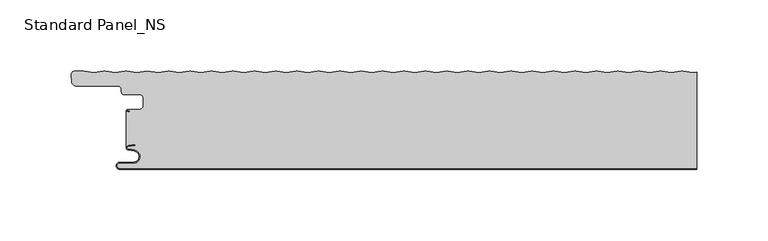
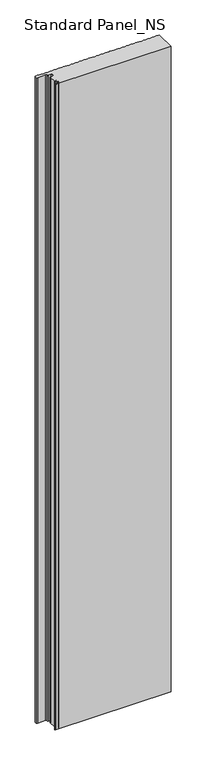
"""IFC4 building model written with IfcOpenShell, lengths in millimetres: proxy geometry, Standard Panel_NS."""

from ifc_helpers import new_model, si_unit, point, frame, frame_2d, origin, origin_with_axes, place, context, project, spatial, polyline, circle_curve, trimmed, segment, composite_curve, outline, extrude, source, transform, mapped, element, save
from ifc_brep_helpers import plane_surface, cylinder_surface, revolved_surface, advanced_brep


def standard_panel_ns_128b0228(model_context):
    return source(origin(), model_context, "Body", "SolidModel", [
        advanced_brep(
        [(200.9757266, 68.2307297, 2400.0), (193.9420689, 69.1685508, 2400.0), (192.9889019, 69.1685508, 2400.0), (185.9552442, 68.2307297, 2400.0), (178.9215864, 69.1685508, 2400.0), (177.9684195, 69.1685508, 2400.0), (170.9347618, 68.2307297, 2400.0), (163.901104, 69.1685508, 2400.0), (162.9479371, 69.1685508, 2400.0), (155.9142793, 68.2307297, 2400.0), (148.8806215, 69.1685508, 2400.0), (147.9274546, 69.1685508, 2400.0), (140.8937969, 68.2307297, 2400.0), (133.8601391, 69.1685508, 2400.0), (132.9069722, 69.1685508, 2400.0), (125.8733144, 68.2307297, 2400.0), (118.8396566, 69.1685508, 2400.0), (117.8864897, 69.1685508, 2400.0), (110.852832, 68.2307297, 2400.0), (103.8191742, 69.1685508, 2400.0), (102.8660073, 69.1685508, 2400.0), (95.8323495, 68.2307297, 2400.0), (88.7986918, 69.1685508, 2400.0), (87.8455248, 69.1685508, 2400.0), (80.8118671, 68.2307297, 2400.0), (73.7782093, 69.1685508, 2400.0), (72.8250424, 69.1685508, 2400.0), (65.7913846, 68.2307297, 2400.0), (58.7577269, 69.1685508, 2400.0), (57.80456, 69.1685508, 2400.0), (50.7709022, 68.2307297, 2400.0), (43.7372444, 69.1685508, 2400.0), (42.7840775, 69.1685508, 2400.0), (35.7504198, 68.2307297, 2400.0), (28.716762, 69.1685508, 2400.0), (27.7635951, 69.1685508, 2400.0), (20.7299373, 68.2307297, 2400.0), (13.6962795, 69.1685508, 2400.0), (12.7431126, 69.1685508, 2400.0), (5.7094549, 68.2307297, 2400.0), (-1.3242029, 69.1685508, 2400.0), (-2.2773698, 69.1685508, 2400.0), (-9.3110276, 68.2307297, 2400.0), (-16.3446854, 69.1685508, 2400.0), (-17.2978523, 69.1685508, 2400.0), (-24.33151, 68.2307297, 2400.0), (-31.3651678, 69.1685508, 2400.0), (-32.3183347, 69.1685508, 2400.0), (-39.3519925, 68.2307297, 2400.0), (-46.3856502, 69.1685508, 2400.0), (-47.3388172, 69.1685508, 2400.0), (-54.3724749, 68.2307297, 2400.0), (-61.4061327, 69.1685508, 2400.0), (-62.3592996, 69.1685508, 2400.0), (-69.3929573, 68.2307297, 2400.0), (-76.4266151, 69.1685508, 2400.0), (-77.379782, 69.1685508, 2400.0), (-84.4134398, 68.2307297, 2400.0), (-91.4470976, 69.1685508, 2400.0), (-92.4002645, 69.1685508, 2400.0), (-99.4339222, 68.2307297, 2400.0), (-106.46758, 69.1685508, 2400.0), (-107.4207469, 69.1685508, 2400.0), (-114.4544047, 68.2307297, 2400.0), (-121.4880625, 69.1685508, 2400.0), (-122.4412294, 69.1685508, 2400.0), (-129.4748871, 68.2307297, 2400.0), (-136.5085449, 69.1685508, 2400.0), (-137.4617118, 69.1685508, 2400.0), (-144.4953696, 68.2307297, 2400.0), (-151.5290274, 69.1685508, 2400.0), (-152.4821943, 69.1685508, 2400.0), (-159.515852, 68.2307297, 2400.0), (-166.5495098, 69.1685508, 2400.0), (-167.5026767, 69.1685508, 2400.0), (-174.5363345, 68.2307297, 2400.0), (-182.0465757, 69.2320952, 2400.0), (-189.5568169, 68.2307297, 2400.0), (-196.5904747, 69.1685508, 2400.0), (-197.5436416, 69.1685508, 2400.0), (-204.5772994, 68.2307297, 2400.0), (-211.6109571, 69.1685508, 2400.0), (-212.564124, 69.1685508, 2400.0), (-219.5977818, 68.2307297, 2400.0), (-226.8685673, 69.2001678, 2400.0), (-232.8591806, 69.2001678, 2400.0), (-235.6090836, 66.199151, 2400.0), (-235.1937635, 61.4524611, 2400.0), (-232.3045986, 58.8050506, 2400.0), (-202.67533, 58.8050506, 2400.0), (-200.2755261, 56.4052467, 2400.0), (-200.2755261, 54.4052467, 2400.0), (-198.67533, 52.8050506, 2400.0), (-188.0058392, 52.8050506, 2400.0), (-184.8560353, 49.6552467, 2400.0), (-184.8560353, 45.2552452, 2400.0), (-188.0058392, 42.1054412, 2400.0), (-195.7650669, 42.1054413, 2400.0), (-195.7650669, 41.3050506, 2400.0), (-194.3950677, 41.3050506, 2400.0), (-194.3950677, 40.5050506, 2400.0), (-195.7650669, 40.5050506, 2400.0), (-196.9042057, 41.327315, 2400.0), (-196.9042607, 15.3042944, 2400.0), (-195.529422, 16.8616061, 2400.0), (-190.6052947, 17.5608112, 2400.0), (-190.4928263, 16.7687564, 2400.0), (-195.4169535, 16.0695512, 2400.0), (-195.4434036, 14.4896502, 2400.0), (-191.1186374, 13.7270772, 2400.0), (-191.9521486, 4.2, 2400.0), (-201.4521486, 4.2, 2400.0), (-201.4521486, 0.8, 2400.0), (203.9042607, 0.8, 2400.0), (203.9042607, 68.621201, 2400.0), (-196.9042057, 41.327315, 0.0), (-195.7650669, 40.5050506, 0.0), (-194.3950677, 40.5050506, 0.0), (-194.3950677, 41.3050506, 0.0), (-195.7650669, 41.3050506, 0.0), (-195.7650669, 42.1054413, 0.0), (-188.0058392, 42.1054413, 0.0), (-184.8560353, 45.2552452, 0.0), (-184.8560353, 49.6552467, 0.0), (-188.0058392, 52.8050506, 0.0), (-198.67533, 52.8050506, 0.0), (-200.2755261, 54.4052467, 0.0), (-200.2755261, 56.4052467, 0.0), (-202.67533, 58.8050506, 0.0), (-232.3045986, 58.8050506, 0.0), (-235.1937635, 61.4524611, 0.0), (-235.6090836, 66.199151, 0.0), (-232.8591806, 69.2001678, 0.0), (-226.8685673, 69.2001678, 0.0), (-219.5977818, 68.2307297, 0.0), (-212.564124, 69.1685508, 0.0), (-211.6109571, 69.1685508, 0.0), (-204.5772994, 68.2307297, 0.0), (-197.5436416, 69.1685508, 0.0), (-196.5904747, 69.1685508, 0.0), (-189.5568169, 68.2307297, 0.0), (-182.0465757, 69.2320952, 0.0), (-174.5363345, 68.2307297, 0.0), (-167.5026767, 69.1685508, 0.0), (-166.5495098, 69.1685508, 0.0), (-159.515852, 68.2307297, 0.0), (-152.4821943, 69.1685508, 0.0), (-151.5290274, 69.1685508, 0.0), (-144.4953696, 68.2307297, 0.0), (-137.4617118, 69.1685508, 0.0), (-136.5085449, 69.1685508, 0.0), (-129.4748871, 68.2307297, 0.0), (-122.4412294, 69.1685508, 0.0), (-121.4880625, 69.1685508, 0.0), (-114.4544047, 68.2307297, 0.0), (-107.4207469, 69.1685508, 0.0), (-106.46758, 69.1685508, 0.0), (-99.4339222, 68.2307297, 0.0), (-92.4002645, 69.1685508, 0.0), (-91.4470976, 69.1685508, 0.0), (-84.4134398, 68.2307297, 0.0), (-77.379782, 69.1685508, 0.0), (-76.4266151, 69.1685508, 0.0), (-69.3929573, 68.2307297, 0.0), (-62.3592996, 69.1685508, 0.0), (-61.4061327, 69.1685508, 0.0), (-54.3724749, 68.2307297, 0.0), (-47.3388172, 69.1685508, 0.0), (-46.3856502, 69.1685508, 0.0), (-39.3519925, 68.2307297, 0.0), (-32.3183347, 69.1685508, 0.0), (-31.3651678, 69.1685508, 0.0), (-24.33151, 68.2307297, 0.0), (-17.2978523, 69.1685508, 0.0), (-16.3446854, 69.1685508, 0.0), (-9.3110276, 68.2307297, 0.0), (-2.2773698, 69.1685508, 0.0), (-1.3242029, 69.1685508, 0.0), (5.7094549, 68.2307297, 0.0), (12.7431126, 69.1685508, 0.0), (13.6962795, 69.1685508, 0.0), (20.7299373, 68.2307297, 0.0), (27.7635951, 69.1685508, 0.0), (28.716762, 69.1685508, 0.0), (35.7504198, 68.2307297, 0.0), (42.7840775, 69.1685508, 0.0), (43.7372444, 69.1685508, 0.0), (50.7709022, 68.2307297, 0.0), (57.80456, 69.1685508, 0.0), (58.7577269, 69.1685508, 0.0), (65.7913846, 68.2307297, 0.0), (72.8250424, 69.1685508, 0.0), (73.7782093, 69.1685508, 0.0), (80.8118671, 68.2307297, 0.0), (87.8455248, 69.1685508, 0.0), (88.7986918, 69.1685508, 0.0), (95.8323495, 68.2307297, 0.0), (102.8660073, 69.1685508, 0.0), (103.8191742, 69.1685508, 0.0), (110.852832, 68.2307297, 0.0), (117.8864897, 69.1685508, 0.0), (118.8396566, 69.1685508, 0.0), (125.8733144, 68.2307297, 0.0), (132.9069722, 69.1685508, 0.0), (133.8601391, 69.1685508, 0.0), (140.8937969, 68.2307297, 0.0), (147.9274546, 69.1685508, 0.0), (148.8806215, 69.1685508, 0.0), (155.9142793, 68.2307297, 0.0), (162.9479371, 69.1685508, 0.0), (163.901104, 69.1685508, 0.0), (170.9347618, 68.2307297, 0.0), (177.9684195, 69.1685508, 0.0), (178.9215864, 69.1685508, 0.0), (185.9552442, 68.2307297, 0.0), (192.9889019, 69.1685508, 0.0), (193.9420689, 69.1685508, 0.0), (200.9757266, 68.2307297, 0.0), (203.9042607, 68.621201, 0.0), (203.9042607, 0.8, 0.0), (-201.4521486, 0.8, 0.0), (-201.4521486, 4.2, 0.0), (-191.9521486, 4.2, 0.0), (-191.1186374, 13.7270772, 0.0), (-195.4434036, 14.4896502, 0.0), (-195.4169535, 16.0695512, 0.0), (-190.4928263, 16.7687564, 0.0), (-190.6052947, 17.5608112, 0.0), (-195.529422, 16.8616061, 0.0), (-196.9042607, 15.3042944, 0.0)],
        [
            (0, 1),
            (1, 2, circle_curve(frame((193.4654854, 65.5941749, 2400.0), z_axis=(0.0, 0.0, 1.0), x_axis=(-0.1321637206908363, 0.991227900602659, 0.0)), 3.6060082)),
            (2, 3),
            (3, 4),
            (4, 5, circle_curve(frame((178.445003, 65.5941749, 2400.0), z_axis=(0.0, 0.0, 1.0), x_axis=(-0.13216372067834242, 0.9912279006043248, 0.0)), 3.6060082)),
            (5, 6),
            (6, 7),
            (7, 8, circle_curve(frame((163.4245205, 65.5941749, 2400.0), z_axis=(0.0, 0.0, 1.0), x_axis=(-0.1321637206908359, 0.991227900602659, 0.0)), 3.6060082)),
            (8, 9),
            (9, 10),
            (10, 11, circle_curve(frame((148.4040381, 65.5941749, 2400.0), z_axis=(0.0, 0.0, 1.0), x_axis=(-0.1321637206909443, 0.9912279006026445, 0.0)), 3.6060082)),
            (11, 12),
            (12, 13),
            (13, 14, circle_curve(frame((133.3835556, 65.5941749, 2400.0), z_axis=(0.0, 0.0, 1.0), x_axis=(-0.13216372067834242, 0.9912279006043248, 0.0)), 3.6060082)),
            (14, 15),
            (15, 16),
            (16, 17, circle_curve(frame((118.3630732, 65.5941749, 2400.0), z_axis=(0.0, 0.0, 1.0), x_axis=(-0.13216372069094426, 0.9912279006026445, 0.0)), 3.6060082)),
            (17, 18),
            (18, 19),
            (19, 20, circle_curve(frame((103.3425907, 65.5941749, 2400.0), z_axis=(0.0, 0.0, 1.0), x_axis=(-0.1321637206908359, 0.991227900602659, 0.0)), 3.6060082)),
            (20, 21),
            (21, 22),
            (22, 23, circle_curve(frame((88.3221083, 65.5941749, 2400.0), z_axis=(0.0, 0.0, 1.0), x_axis=(-0.13216372067834242, 0.9912279006043248, 0.0)), 3.6060082)),
            (23, 24),
            (24, 25),
            (25, 26, circle_curve(frame((73.3016259, 65.5941749, 2400.0), z_axis=(0.0, 0.0, 1.0), x_axis=(-0.1321637206909443, 0.9912279006026445, 0.0)), 3.6060082)),
            (26, 27),
            (27, 28),
            (28, 29, circle_curve(frame((58.2811434, 65.5941749, 2400.0), z_axis=(0.0, 0.0, 1.0), x_axis=(-0.13216372067834242, 0.9912279006043249, 0.0)), 3.6060082)),
            (29, 30),
            (30, 31),
            (31, 32, circle_curve(frame((43.260661, 65.5941749, 2400.0), z_axis=(0.0, 0.0, 1.0), x_axis=(-0.1321637206909443, 0.9912279006026445, 0.0)), 3.6060082)),
            (32, 33),
            (33, 34),
            (34, 35, circle_curve(frame((28.2401785, 65.5941749, 2400.0), z_axis=(0.0, 0.0, 1.0), x_axis=(-0.13216372069083632, 0.991227900602659, 0.0)), 3.6060082)),
            (35, 36),
            (36, 37),
            (37, 38, circle_curve(frame((13.2196961, 65.5941749, 2400.0), z_axis=(0.0, 0.0, 1.0), x_axis=(-0.13216372067834242, 0.9912279006043248, 0.0)), 3.6060082)),
            (38, 39),
            (39, 40),
            (40, 41, circle_curve(frame((-1.8007864, 65.5941749, 2400.0), z_axis=(0.0, 0.0, 1.0), x_axis=(-0.13216372067834242, 0.9912279006043249, 0.0)), 3.6060082)),
            (41, 42),
            (42, 43),
            (43, 44, circle_curve(frame((-16.8212688, 65.5941749, 2400.0), z_axis=(0.0, 0.0, 1.0), x_axis=(-0.13216372067834242, 0.9912279006043249, 0.0)), 3.6060082)),
            (44, 45),
            (45, 46),
            (46, 47, circle_curve(frame((-31.8417513, 65.5941749, 2400.0), z_axis=(0.0, 0.0, 1.0), x_axis=(-0.13216372069083587, 0.991227900602659, 0.0)), 3.6060082)),
            (47, 48),
            (48, 49),
            (49, 50, circle_curve(frame((-46.8622337, 65.5941749, 2400.0), z_axis=(0.0, 0.0, 1.0), x_axis=(-0.13216372067834242, 0.9912279006043249, 0.0)), 3.6060082)),
            (50, 51),
            (51, 52),
            (52, 53, circle_curve(frame((-61.8827161, 65.5941749, 2400.0), z_axis=(0.0, 0.0, 1.0), x_axis=(-0.13216372067834242, 0.9912279006043248, 0.0)), 3.6060082)),
            (53, 54),
            (54, 55),
            (55, 56, circle_curve(frame((-76.9031986, 65.5941749, 2400.0), z_axis=(0.0, 0.0, 1.0), x_axis=(-0.13216372067834242, 0.9912279006043248, 0.0)), 3.6060082)),
            (56, 57),
            (57, 58),
            (58, 59, circle_curve(frame((-91.923681, 65.5941749, 2400.0), z_axis=(0.0, 0.0, 1.0), x_axis=(-0.1321637206909443, 0.9912279006026445, 0.0)), 3.6060082)),
            (59, 60),
            (60, 61),
            (61, 62, circle_curve(frame((-106.9441635, 65.5941749, 2400.0), z_axis=(0.0, 0.0, 1.0), x_axis=(-0.13216372069083587, 0.991227900602659, 0.0)), 3.6060082)),
            (62, 63),
            (63, 64),
            (64, 65, circle_curve(frame((-121.9646459, 65.5941749, 2400.0), z_axis=(0.0, 0.0, 1.0), x_axis=(-0.13216372067834242, 0.9912279006043248, 0.0)), 3.6060082)),
            (65, 66),
            (66, 67),
            (67, 68, circle_curve(frame((-136.9851284, 65.5941749, 2400.0), z_axis=(0.0, 0.0, 1.0), x_axis=(-0.13216372069083632, 0.991227900602659, 0.0)), 3.6060082)),
            (68, 69),
            (69, 70),
            (70, 71, circle_curve(frame((-152.0056108, 65.5941749, 2400.0), z_axis=(0.0, 0.0, 1.0), x_axis=(-0.13216372067834242, 0.9912279006043248, 0.0)), 3.6060082)),
            (71, 72),
            (72, 73),
            (73, 74, circle_curve(frame((-167.0260933, 65.5941749, 2400.0), z_axis=(0.0, 0.0, 1.0), x_axis=(-0.13216372069094426, 0.9912279006026445, 0.0)), 3.6060082)),
            (74, 75),
            (75, 76),
            (76, 77),
            (77, 78),
            (78, 79, circle_curve(frame((-197.0670581, 65.5941749, 2400.0), z_axis=(0.0, 0.0, 1.0), x_axis=(-0.13216372008395674, 0.9912279006835761, 0.0)), 3.6060082)),
            (79, 80),
            (80, 81),
            (81, 82, circle_curve(frame((-212.0875406, 65.5941749, 2400.0), z_axis=(0.0, 0.0, 1.0), x_axis=(-0.1321637200962343, 0.9912279006819392, 0.0)), 3.6060082)),
            (82, 83),
            (83, 84),
            (84, 85),
            (85, 86, circle_curve(frame((-232.8591806, 66.4397587, 2400.0), z_axis=(0.0, 0.0, 1.0), x_axis=(-0.9961854900933174, -0.08726092669423802, 0.0)), 2.7604092)),
            (86, 87),
            (87, 88, circle_curve(frame((-232.3045986, 61.7052538, 2400.0), z_axis=(0.0, 0.0, 1.0), x_axis=(-5.9816804069483736e-05, -0.9999999982109751, 0.0)), 2.9002032)),
            (88, 89),
            (89, 90, circle_curve(frame((-202.67533, 56.4052467, 2400.0), z_axis=(0.0, 0.0, -1.0), x_axis=(0.9999999926057013, 0.00012160837719944603, 0.0)), 2.3998039)),
            (90, 91),
            (91, 92, circle_curve(frame((-198.67533, 54.4052467, 2400.0), z_axis=(0.0, 0.0, 1.0), x_axis=(-8.105569453527465e-05, -0.9999999967149873, 0.0)), 1.6001961)),
            (92, 93),
            (93, 94, circle_curve(frame((-188.0058392, 49.6552467, 2400.0), z_axis=(0.0, 0.0, -1.0), x_axis=(0.9999999965725804, 8.27939563282879e-05, 0.0)), 3.1498039)),
            (94, 95),
            (95, 96, circle_curve(frame((-188.0058392, 45.2552452, 2400.0), z_axis=(0.0, 0.0, -1.0), x_axis=(-8.279395323838365e-05, -0.9999999965725807, 0.0)), 3.1498039)),
            (96, 97),
            (97, 98, circle_curve(frame((-195.7650669, 41.7052459, 2400.0), z_axis=(0.0, 0.0, 1.0), x_axis=(0.0, -1.0, 0.0)), 0.4001953)),
            (98, 99),
            (99, 100),
            (100, 101),
            (101, 102, circle_curve(frame((-195.7650669, 41.7052459, 2400.0), z_axis=(0.0, 0.0, -1.0), x_axis=(0.0, -1.0, 0.0)), 1.2001953)),
            (102, 103),
            (103, 104, circle_curve(frame((-195.3044851, 15.2774964, 2400.0), z_axis=(0.0, 0.0, -1.0), x_axis=(-0.17364817766971952, -0.9848077530117163, 0.0)), 1.6)),
            (104, 105),
            (105, 106),
            (106, 107),
            (107, 108, circle_curve(frame((-195.3044851, 15.2774964, 2400.0), z_axis=(0.0, 0.0, 1.0), x_axis=(-0.17364817766971952, -0.9848077530117163, 0.0)), 0.8)),
            (108, 109),
            (109, 110, circle_curve(frame((-191.9521486, 9.0, 2400.0), z_axis=(0.0, 0.0, -1.0), x_axis=(1.863723325530669e-12, -1.0, 0.0)), 4.8)),
            (110, 111),
            (111, 112, circle_curve(frame((-201.4521486, 2.5, 2400.0), z_axis=(0.0, 0.0, 1.0), x_axis=(2.9071553329994335e-12, -1.0, 0.0)), 1.7)),
            (112, 113),
            (113, 114),
            (114, 0),
            (115, 116, circle_curve(frame((-195.7650669, 41.7052459, 0.0), z_axis=(0.0, 0.0, 1.0), x_axis=(0.0, -1.0, 0.0)), 1.2001953)),
            (116, 117),
            (117, 118),
            (118, 119),
            (119, 120, circle_curve(frame((-195.7650669, 41.7052459, 0.0), z_axis=(0.0, 0.0, -1.0), x_axis=(0.0, -1.0, 0.0)), 0.4001953)),
            (120, 121),
            (121, 122, circle_curve(frame((-188.0058392, 45.2552452, 0.0), z_axis=(0.0, 0.0, 1.0), x_axis=(-8.279395323838365e-05, -0.9999999965725807, 0.0)), 3.1498039)),
            (122, 123),
            (123, 124, circle_curve(frame((-188.0058392, 49.6552467, 0.0), z_axis=(0.0, 0.0, 1.0), x_axis=(0.9999999965725804, 8.27939563282879e-05, 0.0)), 3.1498039)),
            (124, 125),
            (125, 126, circle_curve(frame((-198.67533, 54.4052467, 0.0), z_axis=(0.0, 0.0, -1.0), x_axis=(-8.105569453527465e-05, -0.9999999967149873, 0.0)), 1.6001961)),
            (126, 127),
            (127, 128, circle_curve(frame((-202.67533, 56.4052467, 0.0), z_axis=(0.0, 0.0, 1.0), x_axis=(0.9999999926057013, 0.00012160837719944603, 0.0)), 2.3998039)),
            (128, 129),
            (129, 130, circle_curve(frame((-232.3045986, 61.7052538, 0.0), z_axis=(0.0, 0.0, -1.0), x_axis=(-5.9816804069483736e-05, -0.9999999982109751, 0.0)), 2.9002032)),
            (130, 131),
            (131, 132, circle_curve(frame((-232.8591806, 66.4397587, 0.0), z_axis=(0.0, 0.0, -1.0), x_axis=(-0.9961854900933174, -0.08726092669423802, 0.0)), 2.7604092)),
            (132, 133),
            (133, 134),
            (134, 135),
            (135, 136, circle_curve(frame((-212.0875406, 65.5941749, 0.0), z_axis=(0.0, 0.0, -1.0), x_axis=(-0.1321637200962343, 0.9912279006819392, 0.0)), 3.6060082)),
            (136, 137),
            (137, 138),
            (138, 139, circle_curve(frame((-197.0670581, 65.5941749, 0.0), z_axis=(0.0, 0.0, -1.0), x_axis=(-0.13216372008395674, 0.9912279006835761, 0.0)), 3.6060082)),
            (139, 140),
            (140, 141),
            (141, 142),
            (142, 143),
            (143, 144, circle_curve(frame((-167.0260933, 65.5941749, 0.0), z_axis=(0.0, 0.0, -1.0), x_axis=(-0.13216372069094426, 0.9912279006026445, 0.0)), 3.6060082)),
            (144, 145),
            (145, 146),
            (146, 147, circle_curve(frame((-152.0056108, 65.5941749, 0.0), z_axis=(0.0, 0.0, -1.0), x_axis=(-0.13216372067834242, 0.9912279006043248, 0.0)), 3.6060082)),
            (147, 148),
            (148, 149),
            (149, 150, circle_curve(frame((-136.9851284, 65.5941749, 0.0), z_axis=(0.0, 0.0, -1.0), x_axis=(-0.13216372069083632, 0.991227900602659, 0.0)), 3.6060082)),
            (150, 151),
            (151, 152),
            (152, 153, circle_curve(frame((-121.9646459, 65.5941749, 0.0), z_axis=(0.0, 0.0, -1.0), x_axis=(-0.13216372067834242, 0.9912279006043248, 0.0)), 3.6060082)),
            (153, 154),
            (154, 155),
            (155, 156, circle_curve(frame((-106.9441635, 65.5941749, 0.0), z_axis=(0.0, 0.0, -1.0), x_axis=(-0.13216372069083587, 0.991227900602659, 0.0)), 3.6060082)),
            (156, 157),
            (157, 158),
            (158, 159, circle_curve(frame((-91.923681, 65.5941749, 0.0), z_axis=(0.0, 0.0, -1.0), x_axis=(-0.1321637206909443, 0.9912279006026445, 0.0)), 3.6060082)),
            (159, 160),
            (160, 161),
            (161, 162, circle_curve(frame((-76.9031986, 65.5941749, 0.0), z_axis=(0.0, 0.0, -1.0), x_axis=(-0.13216372067834242, 0.9912279006043248, 0.0)), 3.6060082)),
            (162, 163),
            (163, 164),
            (164, 165, circle_curve(frame((-61.8827161, 65.5941749, 0.0), z_axis=(0.0, 0.0, -1.0), x_axis=(-0.13216372067834242, 0.9912279006043248, 0.0)), 3.6060082)),
            (165, 166),
            (166, 167),
            (167, 168, circle_curve(frame((-46.8622337, 65.5941749, 0.0), z_axis=(0.0, 0.0, -1.0), x_axis=(-0.13216372067834242, 0.9912279006043249, 0.0)), 3.6060082)),
            (168, 169),
            (169, 170),
            (170, 171, circle_curve(frame((-31.8417513, 65.5941749, 0.0), z_axis=(0.0, 0.0, -1.0), x_axis=(-0.13216372069083587, 0.991227900602659, 0.0)), 3.6060082)),
            (171, 172),
            (172, 173),
            (173, 174, circle_curve(frame((-16.8212688, 65.5941749, 0.0), z_axis=(0.0, 0.0, -1.0), x_axis=(-0.13216372067834242, 0.9912279006043249, 0.0)), 3.6060082)),
            (174, 175),
            (175, 176),
            (176, 177, circle_curve(frame((-1.8007864, 65.5941749, 0.0), z_axis=(0.0, 0.0, -1.0), x_axis=(-0.13216372067834242, 0.9912279006043249, 0.0)), 3.6060082)),
            (177, 178),
            (178, 179),
            (179, 180, circle_curve(frame((13.2196961, 65.5941749, 0.0), z_axis=(0.0, 0.0, -1.0), x_axis=(-0.13216372067834242, 0.9912279006043248, 0.0)), 3.6060082)),
            (180, 181),
            (181, 182),
            (182, 183, circle_curve(frame((28.2401785, 65.5941749, 0.0), z_axis=(0.0, 0.0, -1.0), x_axis=(-0.13216372069083632, 0.991227900602659, 0.0)), 3.6060082)),
            (183, 184),
            (184, 185),
            (185, 186, circle_curve(frame((43.260661, 65.5941749, 0.0), z_axis=(0.0, 0.0, -1.0), x_axis=(-0.1321637206909443, 0.9912279006026445, 0.0)), 3.6060082)),
            (186, 187),
            (187, 188),
            (188, 189, circle_curve(frame((58.2811434, 65.5941749, 0.0), z_axis=(0.0, 0.0, -1.0), x_axis=(-0.13216372067834242, 0.9912279006043249, 0.0)), 3.6060082)),
            (189, 190),
            (190, 191),
            (191, 192, circle_curve(frame((73.3016259, 65.5941749, 0.0), z_axis=(0.0, 0.0, -1.0), x_axis=(-0.1321637206909443, 0.9912279006026445, 0.0)), 3.6060082)),
            (192, 193),
            (193, 194),
            (194, 195, circle_curve(frame((88.3221083, 65.5941749, 0.0), z_axis=(0.0, 0.0, -1.0), x_axis=(-0.13216372067834242, 0.9912279006043248, 0.0)), 3.6060082)),
            (195, 196),
            (196, 197),
            (197, 198, circle_curve(frame((103.3425907, 65.5941749, 0.0), z_axis=(0.0, 0.0, -1.0), x_axis=(-0.1321637206908359, 0.991227900602659, 0.0)), 3.6060082)),
            (198, 199),
            (199, 200),
            (200, 201, circle_curve(frame((118.3630732, 65.5941749, 0.0), z_axis=(0.0, 0.0, -1.0), x_axis=(-0.13216372069094426, 0.9912279006026445, 0.0)), 3.6060082)),
            (201, 202),
            (202, 203),
            (203, 204, circle_curve(frame((133.3835556, 65.5941749, 0.0), z_axis=(0.0, 0.0, -1.0), x_axis=(-0.13216372067834242, 0.9912279006043248, 0.0)), 3.6060082)),
            (204, 205),
            (205, 206),
            (206, 207, circle_curve(frame((148.4040381, 65.5941749, 0.0), z_axis=(0.0, 0.0, -1.0), x_axis=(-0.1321637206909443, 0.9912279006026445, 0.0)), 3.6060082)),
            (207, 208),
            (208, 209),
            (209, 210, circle_curve(frame((163.4245205, 65.5941749, 0.0), z_axis=(0.0, 0.0, -1.0), x_axis=(-0.1321637206908359, 0.991227900602659, 0.0)), 3.6060082)),
            (210, 211),
            (211, 212),
            (212, 213, circle_curve(frame((178.445003, 65.5941749, 0.0), z_axis=(0.0, 0.0, -1.0), x_axis=(-0.13216372067834242, 0.9912279006043248, 0.0)), 3.6060082)),
            (213, 214),
            (214, 215),
            (215, 216, circle_curve(frame((193.4654854, 65.5941749, 0.0), z_axis=(0.0, 0.0, -1.0), x_axis=(-0.1321637206908363, 0.991227900602659, 0.0)), 3.6060082)),
            (216, 217),
            (217, 218),
            (218, 219),
            (219, 220),
            (220, 221, circle_curve(frame((-201.4521486, 2.5, 0.0), z_axis=(0.0, 0.0, -1.0), x_axis=(2.9071553329994335e-12, -1.0, 0.0)), 1.7)),
            (221, 222),
            (222, 223, circle_curve(frame((-191.9521486, 9.0, 0.0), z_axis=(0.0, 0.0, 1.0), x_axis=(1.863723325530669e-12, -1.0, 0.0)), 4.8)),
            (223, 224),
            (224, 225, circle_curve(frame((-195.3044851, 15.2774964, 0.0), z_axis=(0.0, 0.0, -1.0), x_axis=(-0.17364817766971952, -0.9848077530117163, 0.0)), 0.8)),
            (225, 226),
            (226, 227),
            (227, 228),
            (228, 229, circle_curve(frame((-195.3044851, 15.2774964, 0.0), z_axis=(0.0, 0.0, 1.0), x_axis=(-0.17364817766971952, -0.9848077530117163, 0.0)), 1.6)),
            (229, 115),
            (83, 134),
            (133, 84),
            (86, 131),
            (130, 87),
            (89, 128),
            (127, 90),
            (126, 91),
            (93, 124),
            (123, 94),
            (122, 95),
            (121, 96),
            (97, 120),
            (119, 98),
            (118, 99),
            (117, 100),
            (103, 229),
            (228, 104),
            (227, 105),
            (226, 106),
            (225, 107),
            (224, 108),
            (223, 109),
            (222, 110),
            (221, 111),
            (220, 112),
            (219, 113),
            (218, 114),
            (4, 213),
            (212, 5),
            (3, 214),
            (2, 215),
            (1, 216),
            (217, 0),
            (211, 6),
            (102, 115),
            (210, 7),
            (209, 8),
            (208, 9),
            (207, 10),
            (206, 11),
            (205, 12),
            (204, 13),
            (203, 14),
            (202, 15),
            (201, 16),
            (200, 17),
            (199, 18),
            (198, 19),
            (197, 20),
            (196, 21),
            (195, 22),
            (194, 23),
            (193, 24),
            (192, 25),
            (191, 26),
            (190, 27),
            (189, 28),
            (188, 29),
            (187, 30),
            (186, 31),
            (185, 32),
            (184, 33),
            (183, 34),
            (182, 35),
            (181, 36),
            (180, 37),
            (179, 38),
            (178, 39),
            (177, 40),
            (176, 41),
            (175, 42),
            (174, 43),
            (173, 44),
            (172, 45),
            (171, 46),
            (170, 47),
            (169, 48),
            (168, 49),
            (167, 50),
            (166, 51),
            (165, 52),
            (164, 53),
            (163, 54),
            (162, 55),
            (161, 56),
            (160, 57),
            (159, 58),
            (158, 59),
            (157, 60),
            (156, 61),
            (155, 62),
            (154, 63),
            (153, 64),
            (152, 65),
            (151, 66),
            (150, 67),
            (149, 68),
            (148, 69),
            (147, 70),
            (146, 71),
            (145, 72),
            (144, 73),
            (143, 74),
            (142, 75),
            (141, 76),
            (140, 77),
            (139, 78),
            (138, 79),
            (137, 80),
            (136, 81),
            (135, 82),
            (132, 85),
            (129, 88),
            (125, 92),
            (116, 101),
        ],
        [
            plane_surface(frame((316.0957393, 69.2, 2400.0), z_axis=(0.0, 0.0, 1.0), x_axis=(0.0, 1.0, 0.0))),
            plane_surface(frame((316.0957393, 69.2, 0.0), z_axis=(0.0, 0.0, -1.0), x_axis=(0.0, 1.0, 0.0))),
            plane_surface(frame((-219.5977818, 68.2307297, 2400.0), z_axis=(0.13216372070690546, 0.9912279006005164, 0.0), x_axis=(0.0, 0.0, -1.0))),
            plane_surface(frame((-235.6090836, 66.199151, 2400.0), z_axis=(-0.9961939956053468, -0.08716377183127401, 0.0), x_axis=(0.0, 0.0, -1.0))),
            revolved_surface(polyline([(-200.27552611774487, 56.40553853625787, 0.0), (-200.27552611774487, 56.40553853625787, 2400.0)]), (-202.67533, 56.4052467, 2400.0), (0.0, 0.0, -1.0)),
            plane_surface(frame((-200.2755261, 56.4052467, 2400.0), z_axis=(-1.0, 0.0, 0.0), x_axis=(0.0, 0.0, -1.0))),
            revolved_surface(polyline([(-184.8560353107957, 49.65550748472654, 0.0), (-184.8560353107957, 49.65550748472654, 2400.0)]), (-188.0058392, 49.6552467, 2400.0), (0.0, 0.0, -1.0)),
            plane_surface(frame((-184.8560353, 49.6552467, 2400.0), z_axis=(-1.0, 0.0, 0.0), x_axis=(0.0, 0.0, -1.0))),
            revolved_surface(polyline([(-188.0060999847168, 42.1054413107957, 0.0), (-188.0060999847168, 42.1054413107957, 2400.0)]), (-188.0058392, 45.2552452, 2400.0), (0.0, 0.0, -1.0)),
            cylinder_surface(frame((-195.7650669, 41.7052459, 2400.0), z_axis=(0.0, 0.0, 1.0), x_axis=(0.0, -1.0, 0.0)), 0.4001953),
            plane_surface(frame((-195.7650669, 41.3050506, 2400.0), z_axis=(0.0, -1.0, 0.0), x_axis=(0.0, 0.0, -1.0))),
            plane_surface(frame((-194.3950677, 41.3050506, 2400.0), z_axis=(-1.0, 0.0, 0.0), x_axis=(0.0, 0.0, -1.0))),
            revolved_surface(polyline([(-195.58232218427153, 13.701803995181255, -9.094947017729282e-13), (-195.58232218427153, 13.701803995181255, 2400.0)]), (-195.3044851, 15.2774964, 2400.0), (0.0, 0.0, -1.0000000000000002)),
            plane_surface(frame((-195.529422, 16.8616061, 2400.0), z_axis=(0.14058552792120363, -0.9900685376978287, 0.0), x_axis=(0.0, 0.0, -1.0))),
            plane_surface(frame((-190.6052947, 17.5608112, 2400.0), z_axis=(-0.9900685376978338, -0.14058552792116694, 0.0), x_axis=(0.0, 0.0, -1.0))),
            plane_surface(frame((-190.4928263, 16.7687564, 2400.0), z_axis=(-0.1405855279212039, 0.9900685376978285, 0.0), x_axis=(0.0, 0.0, -1.0))),
            cylinder_surface(frame((-195.3044851, 15.2774964, 2400.0), z_axis=(0.0, 0.0, 1.0000000000000002), x_axis=(-0.17364817766971952, -0.9848077530117163, 0.0)), 0.8),
            plane_surface(frame((-195.4434036, 14.4896502, 2400.0), z_axis=(-0.1736481776670618, -0.9848077530121849, 0.0), x_axis=(0.0, 0.0, -1.0))),
            revolved_surface(polyline([(-191.95214859999103, 4.2, 0.0), (-191.95214859999103, 4.2, 2400.0)]), (-191.9521486, 9.0, 2400.0), (0.0, 0.0, -1.0)),
            plane_surface(frame((-191.9521486, 4.2, 2400.0), z_axis=(0.0, 1.0, 0.0), x_axis=(0.0, 0.0, -1.0))),
            cylinder_surface(frame((-201.4521486, 2.5, 2400.0), z_axis=(0.0, 0.0, 1.0), x_axis=(2.9071553329994335e-12, -1.0, 0.0)), 1.7),
            plane_surface(frame((-201.4521486, 0.8, 2400.0), z_axis=(0.0, -1.0, 0.0), x_axis=(0.0, 0.0, -1.0))),
            plane_surface(frame((203.9042607, 72.0, 2400.0), z_axis=(1.0, 0.0, 0.0), x_axis=(0.0, 0.0, -1.0))),
            cylinder_surface(frame((178.445003, 65.5941749, 2400.0), z_axis=(0.0, 0.0, 1.0), x_axis=(-0.13216372067834242, 0.9912279006043248, 0.0)), 3.6060082),
            plane_surface(frame((185.9552442, 68.2307297, 2400.0), z_axis=(0.13216372006695326, 0.9912279006858433, 0.0), x_axis=(0.0, 0.0, -1.0))),
            plane_surface(frame((192.9889019, 69.1685508, 2400.0), z_axis=(-0.13216372070690166, 0.9912279006005169, 0.0), x_axis=(0.0, 0.0, -1.0))),
            cylinder_surface(frame((193.4654854, 65.5941749, 2400.0), z_axis=(0.0, 0.0, 1.0000000000000002), x_axis=(-0.1321637206908363, 0.991227900602659, 0.0)), 3.6060082),
            plane_surface(frame((208.0093844, 69.1685508, 2400.0), z_axis=(-0.1321637207089453, 0.9912279006002443, 0.0), x_axis=(0.0, 0.0, -1.0))),
            plane_surface(frame((200.9757266, 68.2307297, 2400.0), z_axis=(0.1321637200687261, 0.991227900685607, 0.0), x_axis=(0.0, 0.0, -1.0))),
            plane_surface(frame((177.9684195, 69.1685508, 2400.0), z_axis=(-0.13216372070690136, 0.9912279006005169, 0.0), x_axis=(0.0, 0.0, -1.0))),
            plane_surface(frame((-196.9042057, 41.327315, 2400.0), z_axis=(-1.0, 0.0, 0.0), x_axis=(0.0, 0.0, -1.0))),
            plane_surface(frame((170.9347618, 68.2307297, 2400.0), z_axis=(0.13216372006613503, 0.9912279006859525, 0.0), x_axis=(0.0, 0.0, -1.0))),
            cylinder_surface(frame((163.4245205, 65.5941749, 2400.0), z_axis=(0.0, 0.0, 1.0), x_axis=(-0.1321637206908359, 0.991227900602659, 0.0)), 3.6060082),
            plane_surface(frame((162.9479371, 69.1685508, 2400.0), z_axis=(-0.1321637207063546, 0.9912279006005899, 0.0), x_axis=(0.0, 0.0, -1.0))),
            plane_surface(frame((155.9142793, 68.2307297, 2400.0), z_axis=(0.13216372006695185, 0.9912279006858435, 0.0), x_axis=(0.0, 0.0, -1.0))),
            cylinder_surface(frame((148.4040381, 65.5941749, 2400.0), z_axis=(0.0, 0.0, 1.0000000000000002), x_axis=(-0.1321637206909443, 0.9912279006026445, 0.0)), 3.6060082),
            plane_surface(frame((147.9274546, 69.1685508, 2400.0), z_axis=(-0.1321637207063565, 0.9912279006005896, 0.0), x_axis=(0.0, 0.0, -1.0))),
            plane_surface(frame((140.8937969, 68.2307297, 2400.0), z_axis=(0.13216372006749733, 0.9912279006857708, 0.0), x_axis=(0.0, 0.0, -1.0))),
            cylinder_surface(frame((133.3835556, 65.5941749, 2400.0), z_axis=(0.0, 0.0, 1.0), x_axis=(-0.13216372067834242, 0.9912279006043248, 0.0)), 3.6060082),
            plane_surface(frame((132.9069722, 69.1685508, 2400.0), z_axis=(-0.13216372070894564, 0.9912279006002443, 0.0), x_axis=(0.0, 0.0, -1.0))),
            plane_surface(frame((125.8733144, 68.2307297, 2400.0), z_axis=(0.13216372006845428, 0.9912279006856431, 0.0), x_axis=(0.0, 0.0, -1.0))),
            cylinder_surface(frame((118.3630732, 65.5941749, 2400.0), z_axis=(0.0, 0.0, 1.0000000000000002), x_axis=(-0.13216372069094426, 0.9912279006026445, 0.0)), 3.6060082),
            plane_surface(frame((117.8864897, 69.1685508, 2400.0), z_axis=(-0.1321637207063565, 0.9912279006005896, 0.0), x_axis=(0.0, 0.0, -1.0))),
            plane_surface(frame((110.852832, 68.2307297, 2400.0), z_axis=(0.13216372006668003, 0.9912279006858797, 0.0), x_axis=(0.0, 0.0, -1.0))),
            cylinder_surface(frame((103.3425907, 65.5941749, 2400.0), z_axis=(0.0, 0.0, 1.0), x_axis=(-0.1321637206908359, 0.991227900602659, 0.0)), 3.6060082),
            plane_surface(frame((102.8660073, 69.1685508, 2400.0), z_axis=(-0.1321637207063546, 0.9912279006005899, 0.0), x_axis=(0.0, 0.0, -1.0))),
            plane_surface(frame((95.8323495, 68.2307297, 2400.0), z_axis=(0.132163720066952, 0.9912279006858435, 0.0), x_axis=(0.0, 0.0, -1.0))),
            cylinder_surface(frame((88.3221083, 65.5941749, 2400.0), z_axis=(0.0, 0.0, 1.0), x_axis=(-0.13216372067834242, 0.9912279006043248, 0.0)), 3.6060082),
            plane_surface(frame((87.8455248, 69.1685508, 2400.0), z_axis=(-0.1321637207068996, 0.9912279006005172, 0.0), x_axis=(0.0, 0.0, -1.0))),
            plane_surface(frame((80.8118671, 68.2307297, 2400.0), z_axis=(0.13216372006640953, 0.9912279006859158, 0.0), x_axis=(0.0, 0.0, -1.0))),
            cylinder_surface(frame((73.3016259, 65.5941749, 2400.0), z_axis=(0.0, 0.0, 1.0000000000000002), x_axis=(-0.1321637206909443, 0.9912279006026445, 0.0)), 3.6060082),
            plane_surface(frame((72.8250424, 69.1685508, 2400.0), z_axis=(-0.13216372070744717, 0.9912279006004442, 0.0), x_axis=(0.0, 0.0, -1.0))),
            plane_surface(frame((65.7913846, 68.2307297, 2400.0), z_axis=(0.1321637200664073, 0.9912279006859162, 0.0), x_axis=(0.0, 0.0, -1.0))),
            cylinder_surface(frame((58.2811434, 65.5941749, 2400.0), z_axis=(0.0, 0.0, 1.0000000000000002), x_axis=(-0.13216372067834242, 0.9912279006043249, 0.0)), 3.6060082),
            plane_surface(frame((57.80456, 69.1685508, 2400.0), z_axis=(-0.1321637207082644, 0.9912279006003352, 0.0), x_axis=(0.0, 0.0, -1.0))),
            plane_surface(frame((50.7709022, 68.2307297, 2400.0), z_axis=(0.13216372006899724, 0.9912279006855708, 0.0), x_axis=(0.0, 0.0, -1.0))),
            cylinder_surface(frame((43.260661, 65.5941749, 2400.0), z_axis=(0.0, 0.0, 1.0000000000000002), x_axis=(-0.1321637206909443, 0.9912279006026445, 0.0)), 3.6060082),
            plane_surface(frame((42.7840775, 69.1685508, 2400.0), z_axis=(-0.1321637207069012, 0.9912279006005169, 0.0), x_axis=(0.0, 0.0, -1.0))),
            plane_surface(frame((35.7504198, 68.2307297, 2400.0), z_axis=(0.13216372006695298, 0.9912279006858434, 0.0), x_axis=(0.0, 0.0, -1.0))),
            cylinder_surface(frame((28.2401785, 65.5941749, 2400.0), z_axis=(0.0, 0.0, 1.0000000000000002), x_axis=(-0.13216372069083632, 0.991227900602659, 0.0)), 3.6060082),
            plane_surface(frame((27.7635951, 69.1685508, 2400.0), z_axis=(-0.1321637207069012, 0.9912279006005169, 0.0), x_axis=(0.0, 0.0, -1.0))),
            plane_surface(frame((20.7299373, 68.2307297, 2400.0), z_axis=(0.13216372006695265, 0.9912279006858434, 0.0), x_axis=(0.0, 0.0, -1.0))),
            cylinder_surface(frame((13.2196961, 65.5941749, 2400.0), z_axis=(0.0, 0.0, 1.0), x_axis=(-0.13216372067834242, 0.9912279006043248, 0.0)), 3.6060082),
            plane_surface(frame((12.7431126, 69.1685508, 2400.0), z_axis=(-0.132163720706356, 0.9912279006005896, 0.0), x_axis=(0.0, 0.0, -1.0))),
            plane_surface(frame((5.7094549, 68.2307297, 2400.0), z_axis=(0.13216372006695326, 0.9912279006858433, 0.0), x_axis=(0.0, 0.0, -1.0))),
            cylinder_surface(frame((-1.8007864, 65.5941749, 2400.0), z_axis=(0.0, 0.0, 1.0000000000000002), x_axis=(-0.13216372067834242, 0.9912279006043249, 0.0)), 3.6060082),
            plane_surface(frame((-2.2773698, 69.1685508, 2400.0), z_axis=(-0.13216372070840093, 0.991227900600317, 0.0), x_axis=(0.0, 0.0, -1.0))),
            plane_surface(frame((-9.3110276, 68.2307297, 2400.0), z_axis=(0.1321637200674967, 0.9912279006857709, 0.0), x_axis=(0.0, 0.0, -1.0))),
            cylinder_surface(frame((-16.8212688, 65.5941749, 2400.0), z_axis=(0.0, 0.0, 1.0000000000000002), x_axis=(-0.13216372067834242, 0.9912279006043249, 0.0)), 3.6060082),
            plane_surface(frame((-17.2978523, 69.1685508, 2400.0), z_axis=(-0.13216372070840093, 0.991227900600317, 0.0), x_axis=(0.0, 0.0, -1.0))),
            plane_surface(frame((-24.33151, 68.2307297, 2400.0), z_axis=(0.13216372006954255, 0.991227900685498, 0.0), x_axis=(0.0, 0.0, -1.0))),
            cylinder_surface(frame((-31.8417513, 65.5941749, 2400.0), z_axis=(0.0, 0.0, 1.0), x_axis=(-0.13216372069083587, 0.991227900602659, 0.0)), 3.6060082),
            plane_surface(frame((-32.3183347, 69.1685508, 2400.0), z_axis=(-0.13216372070744586, 0.9912279006004443, 0.0), x_axis=(0.0, 0.0, -1.0))),
            plane_surface(frame((-39.3519925, 68.2307297, 2400.0), z_axis=(0.1321637200664073, 0.9912279006859162, 0.0), x_axis=(0.0, 0.0, -1.0))),
            cylinder_surface(frame((-46.8622337, 65.5941749, 2400.0), z_axis=(0.0, 0.0, 1.0000000000000002), x_axis=(-0.13216372067834242, 0.9912279006043249, 0.0)), 3.6060082),
            plane_surface(frame((-47.3388172, 69.1685508, 2400.0), z_axis=(-0.13216372070635665, 0.9912279006005896, 0.0), x_axis=(0.0, 0.0, -1.0))),
            plane_surface(frame((-54.3724749, 68.2307297, 2400.0), z_axis=(0.1321637200649066, 0.9912279006861162, 0.0), x_axis=(0.0, 0.0, -1.0))),
            cylinder_surface(frame((-61.8827161, 65.5941749, 2400.0), z_axis=(0.0, 0.0, 1.0), x_axis=(-0.13216372067834242, 0.9912279006043248, 0.0)), 3.6060082),
            plane_surface(frame((-62.3592996, 69.1685508, 2400.0), z_axis=(-0.13216372070690374, 0.9912279006005166, 0.0), x_axis=(0.0, 0.0, -1.0))),
            plane_surface(frame((-69.3929573, 68.2307297, 2400.0), z_axis=(0.13216372006695326, 0.9912279006858433, 0.0), x_axis=(0.0, 0.0, -1.0))),
            cylinder_surface(frame((-76.9031986, 65.5941749, 2400.0), z_axis=(0.0, 0.0, 1.0), x_axis=(-0.13216372067834242, 0.9912279006043248, 0.0)), 3.6060082),
            plane_surface(frame((-77.379782, 69.1685508, 2400.0), z_axis=(-0.13216372070839968, 0.9912279006003172, 0.0), x_axis=(0.0, 0.0, -1.0))),
            plane_surface(frame((-84.4134398, 68.2307297, 2400.0), z_axis=(0.1321637200689985, 0.9912279006855707, 0.0), x_axis=(0.0, 0.0, -1.0))),
            cylinder_surface(frame((-91.923681, 65.5941749, 2400.0), z_axis=(0.0, 0.0, 1.0000000000000002), x_axis=(-0.1321637206909443, 0.9912279006026445, 0.0)), 3.6060082),
            plane_surface(frame((-92.4002645, 69.1685508, 2400.0), z_axis=(-0.13216372070894594, 0.9912279006002443, 0.0), x_axis=(0.0, 0.0, -1.0))),
            plane_surface(frame((-99.4339222, 68.2307297, 2400.0), z_axis=(0.13216372006899896, 0.9912279006855705, 0.0), x_axis=(0.0, 0.0, -1.0))),
            cylinder_surface(frame((-106.9441635, 65.5941749, 2400.0), z_axis=(0.0, 0.0, 1.0), x_axis=(-0.13216372069083587, 0.991227900602659, 0.0)), 3.6060082),
            plane_surface(frame((-107.4207469, 69.1685508, 2400.0), z_axis=(-0.13216372070635285, 0.9912279006005901, 0.0), x_axis=(0.0, 0.0, -1.0))),
            plane_surface(frame((-114.4544047, 68.2307297, 2400.0), z_axis=(0.1321637200669509, 0.9912279006858437, 0.0), x_axis=(0.0, 0.0, -1.0))),
            cylinder_surface(frame((-121.9646459, 65.5941749, 2400.0), z_axis=(0.0, 0.0, 1.0), x_axis=(-0.13216372067834242, 0.9912279006043248, 0.0)), 3.6060082),
            plane_surface(frame((-122.4412294, 69.1685508, 2400.0), z_axis=(-0.13216372070635302, 0.9912279006005901, 0.0), x_axis=(0.0, 0.0, -1.0))),
            plane_surface(frame((-129.4748871, 68.2307297, 2400.0), z_axis=(0.1321637200674959, 0.9912279006857709, 0.0), x_axis=(0.0, 0.0, -1.0))),
            cylinder_surface(frame((-136.9851284, 65.5941749, 2400.0), z_axis=(0.0, 0.0, 1.0000000000000002), x_axis=(-0.13216372069083632, 0.991227900602659, 0.0)), 3.6060082),
            plane_surface(frame((-137.4617118, 69.1685508, 2400.0), z_axis=(-0.1321637207068988, 0.9912279006005172, 0.0), x_axis=(0.0, 0.0, -1.0))),
            plane_surface(frame((-144.4953696, 68.2307297, 2400.0), z_axis=(0.13216372006640492, 0.9912279006859165, 0.0), x_axis=(0.0, 0.0, -1.0))),
            cylinder_surface(frame((-152.0056108, 65.5941749, 2400.0), z_axis=(0.0, 0.0, 1.0), x_axis=(-0.13216372067834242, 0.9912279006043248, 0.0)), 3.6060082),
            plane_surface(frame((-152.4821943, 69.1685508, 2400.0), z_axis=(-0.13216372070894564, 0.9912279006002443, 0.0), x_axis=(0.0, 0.0, -1.0))),
            plane_surface(frame((-159.515852, 68.2307297, 2400.0), z_axis=(0.1321637200684489, 0.9912279006856439, 0.0), x_axis=(0.0, 0.0, -1.0))),
            cylinder_surface(frame((-167.0260933, 65.5941749, 2400.0), z_axis=(0.0, 0.0, 1.0000000000000002), x_axis=(-0.13216372069094426, 0.9912279006026445, 0.0)), 3.6060082),
            plane_surface(frame((-167.5026767, 69.1685508, 2400.0), z_axis=(-0.13216372070689816, 0.9912279006005174, 0.0), x_axis=(0.0, 0.0, -1.0))),
            plane_surface(frame((-174.5363345, 68.2307297, 2400.0), z_axis=(0.13216372006695146, 0.9912279006858435, 0.0), x_axis=(0.0, 0.0, -1.0))),
            plane_surface(frame((-182.0465757, 69.2320952, 2400.0), z_axis=(-0.13216372006694388, 0.9912279006858447, 0.0), x_axis=(0.0, 0.0, -1.0))),
            plane_surface(frame((-189.5568169, 68.2307297, 2400.0), z_axis=(0.13216372070690524, 0.9912279006005164, 0.0), x_axis=(0.0, 0.0, -1.0))),
            cylinder_surface(frame((-197.0670581, 65.5941749, 2400.0), z_axis=(0.0, 0.0, 1.0), x_axis=(-0.13216372008395674, 0.9912279006835761, 0.0)), 3.6060082),
            plane_surface(frame((-197.5436416, 69.1685508, 2400.0), z_axis=(-0.1321637200684442, 0.9912279006856446, 0.0), x_axis=(0.0, 0.0, -1.0))),
            plane_surface(frame((-204.5772994, 68.2307297, 2400.0), z_axis=(0.1321637207094944, 0.9912279006001712, 0.0), x_axis=(0.0, 0.0, -1.0))),
            cylinder_surface(frame((-212.0875406, 65.5941749, 2400.0), z_axis=(0.0, 0.0, 1.0), x_axis=(-0.1321637200962343, 0.9912279006819392, 0.0)), 3.6060082),
            plane_surface(frame((-212.564124, 69.1685508, 2400.0), z_axis=(-0.13216372006694319, 0.9912279006858448, 0.0), x_axis=(0.0, 0.0, -1.0))),
            plane_surface(frame((-226.8685673, 69.2001678, 2400.0), z_axis=(0.0, 1.0, 0.0), x_axis=(0.0, 0.0, -1.0))),
            cylinder_surface(frame((-232.8591806, 66.4397587, 2400.0), z_axis=(0.0, 0.0, 1.0000000000000002), x_axis=(-0.9961854900933174, -0.08726092669423802, 0.0)), 2.7604092),
            cylinder_surface(frame((-232.3045986, 61.7052538, 2400.0), z_axis=(0.0, 0.0, 1.0000000000000002), x_axis=(-5.9816804069483736e-05, -0.9999999982109751, 0.0)), 2.9002032),
            plane_surface(frame((-232.3045986, 58.8050506, 2400.0), z_axis=(0.0, -1.0, 0.0), x_axis=(0.0, 0.0, -1.0))),
            cylinder_surface(frame((-198.67533, 54.4052467, 2400.0), z_axis=(0.0, 0.0, 1.0000000000000002), x_axis=(-8.105569453527465e-05, -0.9999999967149873, 0.0)), 1.6001961),
            plane_surface(frame((-198.67533, 52.8050506, 2400.0), z_axis=(0.0, -1.0, 0.0), x_axis=(0.0, 0.0, -1.0))),
            plane_surface(frame((-188.0058392, 42.1054413, 2400.0), z_axis=(0.0, 1.0, 0.0), x_axis=(0.0, 0.0, -1.0))),
            plane_surface(frame((-194.3950677, 40.5050506, 2400.0), z_axis=(0.0, 1.0, 0.0), x_axis=(0.0, 0.0, -1.0))),
            revolved_surface(polyline([(-195.7650669, 40.505050600000004, 0.0), (-195.7650669, 40.505050600000004, 2400.0)]), (-195.7650669, 41.7052459, 2400.0), (0.0, 0.0, -1.0)),
        ],
        [
            (0, [[1, 2, 3, 4, 5, 6, 7, 8, 9, 10, 11, 12, 13, 14, 15, 16, 17, 18, 19, 20, 21, 22, 23, 24, 25, 26, 27, 28, 29, 30, 31, 32, 33, 34, 35, 36, 37, 38, 39, 40, 41, 42, 43, 44, 45, 46, 47, 48, 49, 50, 51, 52, 53, 54, 55, 56, 57, 58, 59, 60, 61, 62, 63, 64, 65, 66, 67, 68, 69, 70, 71, 72, 73, 74, 75, 76, 77, 78, 79, 80, 81, 82, 83, 84, 85, 86, 87, 88, 89, 90, 91, 92, 93, 94, 95, 96, 97, 98, 99, 100, 101, 102, 103, 104, 105, 106, 107, 108, 109, 110, 111, 112, 113, 114, 115]]),
            (1, [[116, 117, 118, 119, 120, 121, 122, 123, 124, 125, 126, 127, 128, 129, 130, 131, 132, 133, 134, 135, 136, 137, 138, 139, 140, 141, 142, 143, 144, 145, 146, 147, 148, 149, 150, 151, 152, 153, 154, 155, 156, 157, 158, 159, 160, 161, 162, 163, 164, 165, 166, 167, 168, 169, 170, 171, 172, 173, 174, 175, 176, 177, 178, 179, 180, 181, 182, 183, 184, 185, 186, 187, 188, 189, 190, 191, 192, 193, 194, 195, 196, 197, 198, 199, 200, 201, 202, 203, 204, 205, 206, 207, 208, 209, 210, 211, 212, 213, 214, 215, 216, 217, 218, 219, 220, 221, 222, 223, 224, 225, 226, 227, 228, 229, 230]]),
            (2, [[-84, 231, -134, 232]]),
            (3, [[-87, 233, -131, 234]]),
            (4, [[-90, 235, -128, 236]]),
            (5, [[-91, -236, -127, 237]]),
            (6, [[-94, 238, -124, 239]]),
            (7, [[-95, -239, -123, 240]]),
            (8, [[-96, -240, -122, 241]]),
            (9, [[-98, 242, -120, 243]]),
            (10, [[-99, -243, -119, 244]]),
            (11, [[-100, -244, -118, 245]]),
            (12, [[-104, 246, -229, 247]]),
            (13, [[-105, -247, -228, 248]]),
            (14, [[-106, -248, -227, 249]]),
            (15, [[-107, -249, -226, 250]]),
            (16, [[-108, -250, -225, 251]]),
            (17, [[-109, -251, -224, 252]]),
            (18, [[-110, -252, -223, 253]]),
            (19, [[-111, -253, -222, 254]]),
            (20, [[-112, -254, -221, 255]]),
            (21, [[-255, -220, 256, -113]]),
            (22, [[-114, -256, -219, 257]]),
            (23, [[-5, 258, -213, 259]]),
            (24, [[-4, 260, -214, -258]]),
            (25, [[-3, 261, -215, -260]]),
            (26, [[-2, 262, -216, -261]]),
            (27, [[263, -115, -257, -218]]),
            (28, [[-1, -263, -217, -262]]),
            (29, [[-6, -259, -212, 264]]),
            (30, [[265, -230, -246, -103]]),
            (31, [[-7, -264, -211, 266]]),
            (32, [[-8, -266, -210, 267]]),
            (33, [[-9, -267, -209, 268]]),
            (34, [[-10, -268, -208, 269]]),
            (35, [[-11, -269, -207, 270]]),
            (36, [[-12, -270, -206, 271]]),
            (37, [[-13, -271, -205, 272]]),
            (38, [[-14, -272, -204, 273]]),
            (39, [[-15, -273, -203, 274]]),
            (40, [[-16, -274, -202, 275]]),
            (41, [[-17, -275, -201, 276]]),
            (42, [[-18, -276, -200, 277]]),
            (43, [[-19, -277, -199, 278]]),
            (44, [[-20, -278, -198, 279]]),
            (45, [[-21, -279, -197, 280]]),
            (46, [[-22, -280, -196, 281]]),
            (47, [[-23, -281, -195, 282]]),
            (48, [[-24, -282, -194, 283]]),
            (49, [[-25, -283, -193, 284]]),
            (50, [[-26, -284, -192, 285]]),
            (51, [[-27, -285, -191, 286]]),
            (52, [[-28, -286, -190, 287]]),
            (53, [[-29, -287, -189, 288]]),
            (54, [[-30, -288, -188, 289]]),
            (55, [[-31, -289, -187, 290]]),
            (56, [[-32, -290, -186, 291]]),
            (57, [[-33, -291, -185, 292]]),
            (58, [[-34, -292, -184, 293]]),
            (59, [[-35, -293, -183, 294]]),
            (60, [[-36, -294, -182, 295]]),
            (61, [[-37, -295, -181, 296]]),
            (62, [[-38, -296, -180, 297]]),
            (63, [[-39, -297, -179, 298]]),
            (64, [[-40, -298, -178, 299]]),
            (65, [[-41, -299, -177, 300]]),
            (66, [[-42, -300, -176, 301]]),
            (67, [[-43, -301, -175, 302]]),
            (68, [[-44, -302, -174, 303]]),
            (69, [[-45, -303, -173, 304]]),
            (70, [[-46, -304, -172, 305]]),
            (71, [[-47, -305, -171, 306]]),
            (72, [[-48, -306, -170, 307]]),
            (73, [[-49, -307, -169, 308]]),
            (74, [[-50, -308, -168, 309]]),
            (75, [[-51, -309, -167, 310]]),
            (76, [[-52, -310, -166, 311]]),
            (77, [[-53, -311, -165, 312]]),
            (78, [[-54, -312, -164, 313]]),
            (79, [[-55, -313, -163, 314]]),
            (80, [[-56, -314, -162, 315]]),
            (81, [[-57, -315, -161, 316]]),
            (82, [[-58, -316, -160, 317]]),
            (83, [[-59, -317, -159, 318]]),
            (84, [[-60, -318, -158, 319]]),
            (85, [[-61, -319, -157, 320]]),
            (86, [[-62, -320, -156, 321]]),
            (87, [[-63, -321, -155, 322]]),
            (88, [[-64, -322, -154, 323]]),
            (89, [[-65, -323, -153, 324]]),
            (90, [[-66, -324, -152, 325]]),
            (91, [[-67, -325, -151, 326]]),
            (92, [[-68, -326, -150, 327]]),
            (93, [[-69, -327, -149, 328]]),
            (94, [[-70, -328, -148, 329]]),
            (95, [[-71, -329, -147, 330]]),
            (96, [[-72, -330, -146, 331]]),
            (97, [[-73, -331, -145, 332]]),
            (98, [[-74, -332, -144, 333]]),
            (99, [[-75, -333, -143, 334]]),
            (100, [[-76, -334, -142, 335]]),
            (101, [[-77, -335, -141, 336]]),
            (102, [[-78, -336, -140, 337]]),
            (103, [[-79, -337, -139, 338]]),
            (104, [[-80, -338, -138, 339]]),
            (105, [[-81, -339, -137, 340]]),
            (106, [[-82, -340, -136, 341]]),
            (107, [[-83, -341, -135, -231]]),
            (108, [[-85, -232, -133, 342]]),
            (109, [[-86, -342, -132, -233]]),
            (110, [[-88, -234, -130, 343]]),
            (111, [[-89, -343, -129, -235]]),
            (112, [[-92, -237, -126, 344]]),
            (113, [[-93, -344, -125, -238]]),
            (114, [[-97, -241, -121, -242]]),
            (115, [[-101, -245, -117, 345]]),
            (116, [[-102, -345, -116, -265]]),
        ],
    ),
        extrude(outline(composite_curve([segment(trimmed(circle_curve(frame_2d((-201.4521486, 2.5)), 2.5), [point((-201.4521486, 0.0))], [point((-201.4521486, 5.0))], False, "CARTESIAN"), True, "CONTINUOUS"), segment(polyline([(-201.4521486, 5.0), (-191.9521486, 5.0)]), True, "CONTINUOUS"), segment(trimmed(circle_curve(frame_2d((-191.9521486, 9.0)), 4.0), [point((-191.9521486, 5.0))], [point((-191.2575559, 12.939231))], True, "CARTESIAN"), True, "CONTINUOUS"), segment(polyline([(-191.2575559, 12.939231), (-195.5823222, 13.701804)]), True, "CONTINUOUS"), segment(trimmed(circle_curve(frame_2d((-195.3044851, 15.2774964)), 1.6), [point((-195.5823222, 13.701804))], [point((-195.529422, 16.8616061))], False, "CARTESIAN"), True, "CONTINUOUS"), segment(polyline([(-195.529422, 16.8616061), (-190.6052947, 17.5608112), (-190.4928263, 16.7687564), (-195.4169535, 16.0695512)]), True, "CONTINUOUS"), segment(trimmed(circle_curve(frame_2d((-195.3044851, 15.2774964)), 0.8), [point((-195.4169535, 16.0695512))], [point((-195.4434036, 14.4896502))], True, "CARTESIAN"), True, "CONTINUOUS"), segment(polyline([(-195.4434036, 14.4896502), (-191.1186374, 13.7270772)]), True, "CONTINUOUS"), segment(trimmed(circle_curve(frame_2d((-191.9521486, 9.0)), 4.8), [point((-191.1186374, 13.7270772))], [point((-191.9521486, 4.2))], False, "CARTESIAN"), True, "CONTINUOUS"), segment(polyline([(-191.9521486, 4.2), (-201.4521486, 4.2)]), True, "CONTINUOUS"), segment(trimmed(circle_curve(frame_2d((-201.4521486, 2.5)), 1.7), [point((-201.4521486, 4.2))], [point((-201.4521486, 0.8))], True, "CARTESIAN"), True, "CONTINUOUS"), segment(polyline([(-201.4521486, 0.8), (203.9042607, 0.8), (203.9042607, 0.0), (-201.4521486, 0.0)]), True, "CONTINUOUS")], self_intersect=False)), origin_with_axes(), (0.0, 0.0, 1.0), 2400.0),
    ])


if __name__ == "__main__":
    model = new_model("IFC4")
    model_context = context("Model", 3, world=origin())
    ifc_project = project(units=[si_unit("LENGTHUNIT", "METRE", prefix="MILLI")], contexts=[model_context])
    site = spatial("IfcSite", under=ifc_project)
    building = spatial("IfcBuilding", under=site)
    placement = place(None, origin())
    standard_panel_ns_shape = standard_panel_ns_128b0228(model_context)
    element("IfcBuildingElementProxy", 1, Name="Standard Panel_NS", ObjectType="Standard Panel_NS", at=placement, inside=building, context=model_context, shape_type="MappedRepresentation", body=[
        mapped(standard_panel_ns_shape, transform((0.0, 0.0, 0.0), x_axis=(1.0, 0.0, 0.0), y_axis=(0.0, 1.0, 0.0), z_axis=(0.0, 0.0, 1.0))),
    ])
    save(model, "model.ifc")
